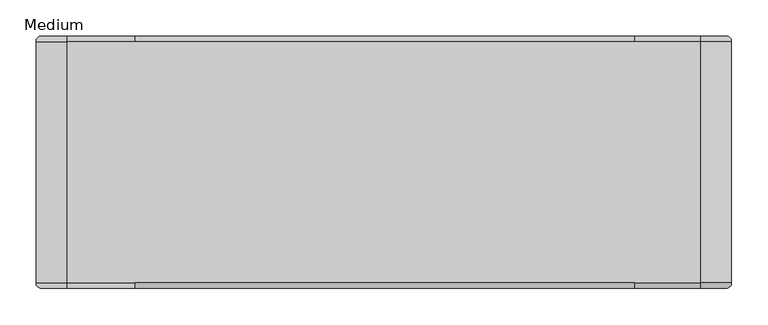
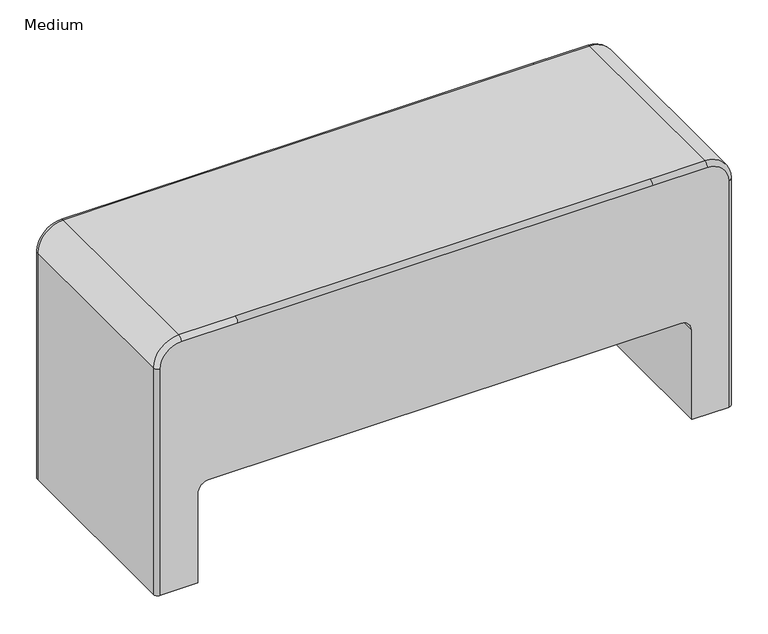
"""IFC4 building model written with IfcOpenShell, lengths in millimetres: furniture geometry, Medium."""

from ifc_helpers import new_model, si_unit, point, frame, frame_2d, origin, origin_with_axes, place, context, project, spatial, polyline, circle_curve, ellipse_curve, trimmed, segment, composite_curve, outline, extrude, source, transform, mapped, element, save
from ifc_brep_helpers import plane_surface, cylinder_surface, revolved_surface, advanced_brep


def medium_84b7d5f4(model_context):
    return source(origin(), model_context, "Body", "SolidModel", [
        extrude(outline(composite_curve([segment(trimmed(circle_curve(frame_2d((-619.0274767, 196.051701)), 5.08), [point((-619.0274767, 201.131701))], [point((-613.9474767, 196.051701))], False, "CARTESIAN"), True, "CONTINUOUS"), segment(polyline([(-613.9474767, 196.051701), (-613.9474767, 155.411701)]), True, "CONTINUOUS"), segment(trimmed(circle_curve(frame_2d((-619.0274767, 155.411701)), 5.08), [point((-613.9474767, 155.411701))], [point((-619.0274767, 150.331701))], False, "CARTESIAN"), True, "CONTINUOUS"), segment(polyline([(-619.0274767, 150.331701), (-634.2621476, 150.331701)]), True, "CONTINUOUS"), segment(trimmed(circle_curve(frame_2d((-634.2621476, 155.411701)), 5.08), [point((-634.2621476, 150.331701))], [point((-639.3421476, 155.411701))], False, "CARTESIAN"), True, "CONTINUOUS"), segment(polyline([(-639.3421476, 155.411701), (-639.3421476, 196.051701)]), True, "CONTINUOUS"), segment(trimmed(circle_curve(frame_2d((-634.2621476, 196.051701)), 5.08), [point((-639.3421476, 196.051701))], [point((-634.2621476, 201.131701))], False, "CARTESIAN"), True, "CONTINUOUS"), segment(polyline([(-634.2621476, 201.131701), (-619.0274767, 201.131701)]), True, "CONTINUOUS")], self_intersect=False)), origin_with_axes(), (0.0, 0.0, 1.0), 3.4040124),
        extrude(outline(composite_curve([segment(trimmed(circle_curve(frame_2d((-619.0274767, -81.4021908)), 5.08), [point((-619.0274767, -76.3221908))], [point((-613.9474767, -81.4021908))], False, "CARTESIAN"), True, "CONTINUOUS"), segment(polyline([(-613.9474767, -81.4021908), (-613.9474767, -122.0421908)]), True, "CONTINUOUS"), segment(trimmed(circle_curve(frame_2d((-619.0274767, -122.0421908)), 5.08), [point((-613.9474767, -122.0421908))], [point((-619.0274767, -127.1221908))], False, "CARTESIAN"), True, "CONTINUOUS"), segment(polyline([(-619.0274767, -127.1221908), (-634.2621476, -127.1221908)]), True, "CONTINUOUS"), segment(trimmed(circle_curve(frame_2d((-634.2621476, -122.0421908)), 5.08), [point((-634.2621476, -127.1221908))], [point((-639.3421476, -122.0421908))], False, "CARTESIAN"), True, "CONTINUOUS"), segment(polyline([(-639.3421476, -122.0421908), (-639.3421476, -81.4021908)]), True, "CONTINUOUS"), segment(trimmed(circle_curve(frame_2d((-634.2621476, -81.4021908)), 5.08), [point((-639.3421476, -81.4021908))], [point((-634.2621476, -76.3221908))], False, "CARTESIAN"), True, "CONTINUOUS"), segment(polyline([(-634.2621476, -76.3221908), (-619.0274767, -76.3221908)]), True, "CONTINUOUS")], self_intersect=False)), origin_with_axes(), (0.0, 0.0, 1.0), 3.4040124),
        extrude(outline(composite_curve([segment(trimmed(circle_curve(frame_2d((272.7236579, 196.051701)), 5.08), [point((272.7236579, 201.131701))], [point((277.8036579, 196.051701))], False, "CARTESIAN"), True, "CONTINUOUS"), segment(polyline([(277.8036579, 196.051701), (277.8036579, 155.411701)]), True, "CONTINUOUS"), segment(trimmed(circle_curve(frame_2d((272.7236579, 155.411701)), 5.08), [point((277.8036579, 155.411701))], [point((272.7236579, 150.331701))], False, "CARTESIAN"), True, "CONTINUOUS"), segment(polyline([(272.7236579, 150.331701), (257.4889871, 150.331701)]), True, "CONTINUOUS"), segment(trimmed(circle_curve(frame_2d((257.4889871, 155.411701)), 5.08), [point((257.4889871, 150.331701))], [point((252.4089871, 155.411701))], False, "CARTESIAN"), True, "CONTINUOUS"), segment(polyline([(252.4089871, 155.411701), (252.4089871, 196.051701)]), True, "CONTINUOUS"), segment(trimmed(circle_curve(frame_2d((257.4889871, 196.051701)), 5.08), [point((252.4089871, 196.051701))], [point((257.4889871, 201.131701))], False, "CARTESIAN"), True, "CONTINUOUS"), segment(polyline([(257.4889871, 201.131701), (272.7236579, 201.131701)]), True, "CONTINUOUS")], self_intersect=False)), origin_with_axes(), (0.0, 0.0, 1.0), 3.4040124),
        extrude(outline(composite_curve([segment(trimmed(circle_curve(frame_2d((272.7236579, -81.4021908)), 5.08), [point((272.7236579, -76.3221908))], [point((277.8036579, -81.4021908))], False, "CARTESIAN"), True, "CONTINUOUS"), segment(polyline([(277.8036579, -81.4021908), (277.8036579, -122.0421908)]), True, "CONTINUOUS"), segment(trimmed(circle_curve(frame_2d((272.7236579, -122.0421908)), 5.08), [point((277.8036579, -122.0421908))], [point((272.7236579, -127.1221908))], False, "CARTESIAN"), True, "CONTINUOUS"), segment(polyline([(272.7236579, -127.1221908), (257.4889871, -127.1221908)]), True, "CONTINUOUS"), segment(trimmed(circle_curve(frame_2d((257.4889871, -122.0421908)), 5.08), [point((257.4889871, -127.1221908))], [point((252.4089871, -122.0421908))], False, "CARTESIAN"), True, "CONTINUOUS"), segment(polyline([(252.4089871, -122.0421908), (252.4089871, -81.4021908)]), True, "CONTINUOUS"), segment(trimmed(circle_curve(frame_2d((257.4889871, -81.4021908)), 5.08), [point((252.4089871, -81.4021908))], [point((257.4889871, -76.3221908))], False, "CARTESIAN"), True, "CONTINUOUS"), segment(polyline([(257.4889871, -76.3221908), (272.7236579, -76.3221908)]), True, "CONTINUOUS")], self_intersect=False)), origin_with_axes(), (0.0, 0.0, 1.0), 3.4040124),
        advanced_brep(
        [(-574.5619104, 211.4525251, 180.1955599), (-593.6119104, 211.4525251, 161.1455599), (-593.6119104, 211.4525251, 3.4040124), (-655.9944896, 211.4525251, 3.4040124), (-655.9944896, 211.4525251, 404.0231514), (-620.4343177, 211.4525251, 439.5833234), (-526.2304682, 211.4525251, 439.5833234), (166.7696242, 211.4525251, 439.5833234), (258.102078, 211.4525251, 439.5833234), (293.66225, 211.4525251, 404.0231514), (293.66225, 211.4525251, 3.4040124), (232.0734208, 211.4525251, 3.4040124), (232.0734208, 211.4525251, 161.1455599), (213.0234208, 211.4525251, 180.1955599), (213.0234208, -138.4442299, 180.1955599), (232.0734208, -138.4442299, 161.1455599), (232.0734208, -138.4442299, 3.4040124), (293.66225, -138.4442299, 3.4040124), (293.66225, -138.4442299, 404.0231514), (258.102078, -138.4442299, 439.5833234), (166.7696242, -138.4442299, 439.5833234), (-526.2304682, -138.4442299, 439.5833234), (-620.4343177, -138.4442299, 439.5833234), (-655.9944896, -138.4442299, 404.0231514), (-655.9944896, -138.4442299, 3.4040124), (-593.6119104, -138.4442299, 3.4040124), (-593.6119104, -138.4442299, 161.1455599), (-574.5619104, -138.4442299, 180.1955599), (166.7696242, -130.8242299, 447.2033234), (-526.2304682, -130.8242299, 447.2033234), (258.102078, -130.8242299, 447.2033234), (258.102078, 203.8325251, 447.2033234), (166.7696242, 203.8325251, 447.2033234), (-526.2304682, 203.8325251, 447.2033234), (-620.4343177, 203.8325251, 447.2033234), (-620.4343177, -130.8242299, 447.2033234), (301.28225, -130.8242299, 404.0231514), (301.28225, 203.8325251, 404.0231514), (301.28225, 203.8325251, 3.4040124), (301.28225, -130.8242299, 3.4040124), (-663.6144896, 203.8325251, 404.0231514), (-663.6144896, -130.8242299, 404.0231514), (-663.6144896, -130.8242299, 3.4040124), (-663.6144896, 203.8325251, 3.4040124)],
        [
            (0, 1, circle_curve(frame((-574.5619104, 211.4525251, 161.1455599), z_axis=(0.0, -1.0, 0.0), x_axis=(1.0, 0.0, 0.0)), 19.05)),
            (1, 2),
            (2, 3),
            (3, 4),
            (4, 5, circle_curve(frame((-620.4343177, 211.4525251, 404.0231514), z_axis=(0.0, 1.0, 0.0), x_axis=(0.0, 0.0, 1.0)), 35.560172)),
            (5, 6),
            (6, 7),
            (7, 8),
            (8, 9, circle_curve(frame((258.102078, 211.4525251, 404.0231514), z_axis=(0.0, 1.0, 0.0), x_axis=(0.0, 0.0, 1.0)), 35.560172)),
            (9, 10),
            (10, 11),
            (11, 12),
            (12, 13, circle_curve(frame((213.0234208, 211.4525251, 161.1455599), z_axis=(0.0, -1.0, 0.0), x_axis=(1.0, 0.0, 0.0)), 19.05)),
            (13, 0),
            (14, 15, circle_curve(frame((213.0234208, -138.4442299, 161.1455599), z_axis=(0.0, 1.0, 0.0), x_axis=(1.0, 0.0, 0.0)), 19.05)),
            (15, 16),
            (16, 17),
            (17, 18),
            (18, 19, circle_curve(frame((258.102078, -138.4442299, 404.0231514), z_axis=(0.0, -1.0, 0.0), x_axis=(0.0, 0.0, 1.0)), 35.560172)),
            (19, 20),
            (20, 21),
            (21, 22),
            (22, 23, circle_curve(frame((-620.4343177, -138.4442299, 404.0231514), z_axis=(0.0, -1.0, 0.0), x_axis=(0.0, 0.0, 1.0)), 35.560172)),
            (23, 24),
            (24, 25),
            (25, 26),
            (26, 27, circle_curve(frame((-574.5619104, -138.4442299, 161.1455599), z_axis=(0.0, 1.0, 0.0), x_axis=(1.0, 0.0, 0.0)), 19.05)),
            (27, 14),
            (13, 14),
            (27, 0),
            (20, 28, circle_curve(frame((166.7696242, -130.8242299, 439.5833234), z_axis=(-1.0, 0.0, 0.0), x_axis=(0.0, 0.0, 1.0)), 7.62)),
            (28, 29),
            (29, 21, circle_curve(frame((-526.2304682, -130.8242299, 439.5833234), z_axis=(1.0, 0.0, 0.0), x_axis=(0.0, 0.0, 1.0)), 7.62)),
            (28, 30),
            (30, 31),
            (31, 32),
            (32, 33),
            (33, 34),
            (34, 35),
            (35, 29),
            (32, 7, circle_curve(frame((166.7696242, 203.8325251, 439.5833234), z_axis=(-1.0, 0.0, 0.0), x_axis=(0.0, 0.0, 1.0)), 7.62)),
            (6, 33, circle_curve(frame((-526.2304682, 203.8325251, 439.5833234), z_axis=(1.0, 0.0, 0.0), x_axis=(0.0, 0.0, 1.0)), 7.62)),
            (19, 30, circle_curve(frame((258.102078, -130.8242299, 439.5833234), z_axis=(-1.0, 0.0, 0.0), x_axis=(0.0, 0.0, -1.0)), 7.62)),
            (31, 8, circle_curve(frame((258.102078, 203.8325251, 439.5833234), z_axis=(-1.0, 0.0, 0.0), x_axis=(0.0, 0.0, -1.0)), 7.62)),
            (18, 36, circle_curve(frame((293.66225, -130.8242299, 404.0231514), z_axis=(0.0, 0.0, 1.0), x_axis=(-1.0, 0.0, 0.0)), 7.62)),
            (36, 30, circle_curve(frame((258.102078, -130.8242299, 404.0231514), z_axis=(0.0, -1.0, 0.0), x_axis=(0.0, 0.0, 1.0)), 43.180172)),
            (36, 37),
            (37, 31, circle_curve(frame((258.102078, 203.8325251, 404.0231514), z_axis=(0.0, -1.0, 0.0), x_axis=(0.0, 0.0, 1.0)), 43.180172)),
            (37, 9, circle_curve(frame((293.66225, 203.8325251, 404.0231514), z_axis=(0.0, 0.0, 1.0), x_axis=(-1.0, 0.0, 0.0)), 7.62)),
            (16, 11),
            (10, 38, circle_curve(frame((293.66225, 203.8325251, 3.4040124), z_axis=(0.0, 0.0, -1.0), x_axis=(-1.0, 0.0, 0.0)), 7.62)),
            (38, 39),
            (39, 17, circle_curve(frame((293.66225, -130.8242299, 3.4040124), z_axis=(0.0, 0.0, -1.0), x_axis=(-1.0, 0.0, 0.0)), 7.62)),
            (39, 36),
            (38, 37),
            (5, 34, circle_curve(frame((-620.4343177, 203.8325251, 439.5833234), z_axis=(1.0, 0.0, 0.0), x_axis=(0.0, 0.0, 1.0)), 7.62)),
            (35, 22, circle_curve(frame((-620.4343177, -130.8242299, 439.5833234), z_axis=(1.0, 0.0, 0.0), x_axis=(0.0, 0.0, 1.0)), 7.62)),
            (4, 40, circle_curve(frame((-655.9944896, 203.8325251, 404.0231514), z_axis=(0.0, 0.0, 1.0), x_axis=(-1.0, 0.0, 0.0)), 7.62)),
            (40, 34, circle_curve(frame((-620.4343177, 203.8325251, 404.0231514), z_axis=(0.0, 1.0, 0.0), x_axis=(0.0, 0.0, 1.0)), 43.180172)),
            (40, 41),
            (41, 35, circle_curve(frame((-620.4343177, -130.8242299, 404.0231514), z_axis=(0.0, 1.0, 0.0), x_axis=(0.0, 0.0, 1.0)), 43.180172)),
            (41, 23, circle_curve(frame((-655.9944896, -130.8242299, 404.0231514), z_axis=(0.0, 0.0, 1.0), x_axis=(-1.0, 0.0, 0.0)), 7.62)),
            (2, 25),
            (24, 42, circle_curve(frame((-655.9944896, -130.8242299, 3.4040124), z_axis=(0.0, 0.0, -1.0), x_axis=(-1.0, 0.0, 0.0)), 7.62)),
            (42, 43),
            (43, 3, circle_curve(frame((-655.9944896, 203.8325251, 3.4040124), z_axis=(0.0, 0.0, -1.0), x_axis=(-1.0, 0.0, 0.0)), 7.62)),
            (43, 40),
            (42, 41),
            (26, 1),
            (15, 12),
        ],
        [
            plane_surface(frame((166.7696242, 211.4525251, 437.6781514), z_axis=(0.0, 1.0, 0.0), x_axis=(0.0, 0.0, -1.0))),
            plane_surface(frame((166.7696242, -138.4442299, 437.6781514), z_axis=(0.0, -1.0, 0.0), x_axis=(0.0, 0.0, 1.0))),
            plane_surface(frame((166.7696242, 211.4525251, 180.1955599), z_axis=(0.0, 0.0, -1.0), x_axis=(0.0, -1.0, 0.0))),
            cylinder_surface(frame((166.7696242, -130.8242299, 439.5833234), z_axis=(-1.0, 0.0, 0.0), x_axis=(0.0, 0.0, 1.0)), 7.62),
            plane_surface(frame((-526.2304682, -130.8242299, 447.2033234), z_axis=(0.0, 0.0, 1.0), x_axis=(1.0, 0.0, 0.0))),
            cylinder_surface(frame((166.7696242, 203.8325251, 439.5833234), z_axis=(-1.0, 0.0, 0.0), x_axis=(0.0, 0.0, 1.0)), 7.62),
            cylinder_surface(frame((166.7696242, -130.8242299, 439.5833234), z_axis=(-1.0, 0.0, 0.0), x_axis=(0.0, 0.0, -1.0)), 7.62),
            cylinder_surface(frame((166.7696242, 203.8325251, 439.5833234), z_axis=(-1.0, 0.0, 0.0), x_axis=(0.0, 0.0, -1.0)), 7.62),
            revolved_surface(trimmed(ellipse_curve(frame((258.102078, -130.8242299, 439.5833234), z_axis=(-1.0, 0.0, 0.0), x_axis=(0.0, 0.0, -1.0)), 7.62, 7.62), [point((258.102078, -138.4442299, 439.5833234))], [point((258.102078, -130.8242299, 447.2033234))], True, "CARTESIAN"), (258.102078, 228.8781826, 404.0231514), (0.0, 1.0, 0.0)),
            cylinder_surface(frame((258.102078, 228.8781826, 404.0231514), z_axis=(0.0, 1.0, 0.0), x_axis=(0.0, 0.0, 1.0)), 43.180172),
            revolved_surface(trimmed(ellipse_curve(frame((258.102078, 203.8325251, 439.5833234), z_axis=(-1.0, 0.0, 0.0), x_axis=(0.0, 0.0, -1.0)), 7.62, 7.62), [point((258.102078, 203.8325251, 447.2033234))], [point((258.102078, 211.4525251, 439.5833234))], True, "CARTESIAN"), (258.102078, 228.8781826, 404.0231514), (0.0, 1.0, 0.0)),
            plane_surface(frame((288.582078, 228.8781826, 3.4040124), z_axis=(0.0, 0.0, -1.0), x_axis=(0.0, 1.0, 0.0))),
            cylinder_surface(frame((293.66225, -130.8242299, 404.0231514), z_axis=(0.0, 0.0, 1.0), x_axis=(-1.0, 0.0, 0.0)), 7.62),
            plane_surface(frame((301.28225, -130.8242299, 404.0231514), z_axis=(1.0, 0.0, 0.0), x_axis=(0.0, 0.0, -1.0))),
            cylinder_surface(frame((293.66225, 203.8325251, 404.0231514), z_axis=(0.0, 0.0, 1.0), x_axis=(-1.0, 0.0, 0.0)), 7.62),
            cylinder_surface(frame((-526.2304682, 203.8325251, 439.5833234), z_axis=(1.0, 0.0, 0.0), x_axis=(0.0, 0.0, 1.0)), 7.62),
            cylinder_surface(frame((-526.2304682, -130.8242299, 439.5833234), z_axis=(1.0, 0.0, 0.0), x_axis=(0.0, 0.0, 1.0)), 7.62),
            revolved_surface(trimmed(ellipse_curve(frame((-620.4343177, 203.8325251, 439.5833234), z_axis=(1.0, 0.0, 0.0), x_axis=(0.0, 0.0, 1.0)), 7.62, 7.62), [point((-620.4343177, 211.4525251, 439.5833234))], [point((-620.4343177, 203.8325251, 447.2033234))], True, "CARTESIAN"), (-620.4343177, 228.8781826, 404.0231514), (0.0, -1.0, 0.0)),
            cylinder_surface(frame((-620.4343177, 228.8781826, 404.0231514), z_axis=(0.0, -1.0, 0.0), x_axis=(0.0, 0.0, 1.0)), 43.180172),
            revolved_surface(trimmed(ellipse_curve(frame((-620.4343177, -130.8242299, 439.5833234), z_axis=(1.0, 0.0, 0.0), x_axis=(0.0, 0.0, 1.0)), 7.62, 7.62), [point((-620.4343177, -130.8242299, 447.2033234))], [point((-620.4343177, -138.4442299, 439.5833234))], True, "CARTESIAN"), (-620.4343177, 228.8781826, 404.0231514), (0.0, -1.0, 0.0)),
            plane_surface(frame((-650.9143177, 228.8781826, 3.4040124), z_axis=(0.0, 0.0, -1.0), x_axis=(0.0, 1.0, 0.0))),
            cylinder_surface(frame((-655.9944896, 203.8325251, 404.0231514), z_axis=(0.0, 0.0, 1.0), x_axis=(-1.0, 0.0, 0.0)), 7.62),
            plane_surface(frame((-663.6144896, 203.8325251, 404.0231514), z_axis=(-1.0, 0.0, 0.0), x_axis=(0.0, 0.0, -1.0))),
            cylinder_surface(frame((-655.9944896, -130.8242299, 404.0231514), z_axis=(0.0, 0.0, 1.0), x_axis=(-1.0, 0.0, 0.0)), 7.62),
            revolved_surface(polyline([(-555.5119104, -138.4442299, 161.1455599), (-555.5119104, 211.45252509999997, 161.1455599)]), (-574.5619104, -138.4442299, 161.1455599), (0.0, -1.0, 0.0)),
            plane_surface(frame((-593.6119104, 211.4525251, 161.1455599), z_axis=(1.0, 0.0, 0.0), x_axis=(0.0, -1.0, 0.0))),
            plane_surface(frame((232.0734208, 211.4525251, 3.4040124), z_axis=(-1.0, 0.0, 0.0), x_axis=(0.0, -1.0, 0.0))),
            revolved_surface(polyline([(232.0734208, -138.44422989999998, 161.1455599), (232.0734208, 211.4525251, 161.1455599)]), (213.0234208, 216.2403236, 161.1455599), (0.0, -1.0, 0.0)),
        ],
        [
            (0, [[1, 2, 3, 4, 5, 6, 7, 8, 9, 10, 11, 12, 13, 14]]),
            (1, [[15, 16, 17, 18, 19, 20, 21, 22, 23, 24, 25, 26, 27, 28]]),
            (2, [[-14, 29, -28, 30]]),
            (3, [[-21, 31, 32, 33]]),
            (4, [[-32, 34, 35, 36, 37, 38, 39, 40]]),
            (5, [[-37, 41, -7, 42]]),
            (6, [[-20, 43, -34, -31]]),
            (7, [[-36, 44, -8, -41]]),
            (8, [[-19, 45, 46, -43]]),
            (9, [[-35, -46, 47, 48]]),
            (10, [[-44, -48, 49, -9]]),
            (11, [[-17, 50, -11, 51, 52, 53]]),
            (12, [[-18, -53, 54, -45]]),
            (13, [[-47, -54, -52, 55]]),
            (14, [[-10, -49, -55, -51]]),
            (15, [[-6, 56, -38, -42]]),
            (16, [[-40, 57, -22, -33]]),
            (17, [[-5, 58, 59, -56]]),
            (18, [[-39, -59, 60, 61]]),
            (19, [[-57, -61, 62, -23]]),
            (20, [[-3, 63, -25, 64, 65, 66]]),
            (21, [[-4, -66, 67, -58]]),
            (22, [[-60, -67, -65, 68]]),
            (23, [[-24, -62, -68, -64]]),
            (24, [[-1, -30, -27, 69]]),
            (25, [[-2, -69, -26, -63]]),
            (26, [[-12, -50, -16, 70]]),
            (27, [[-13, -70, -15, -29]]),
        ],
    ),
    ])


if __name__ == "__main__":
    model = new_model("IFC4")
    model_context = context("Model", 3, world=origin())
    ifc_project = project(units=[si_unit("LENGTHUNIT", "METRE", prefix="MILLI")], contexts=[model_context])
    site = spatial("IfcSite", under=ifc_project)
    building = spatial("IfcBuilding", under=site)
    placement = place(None, origin())
    medium_shape = medium_84b7d5f4(model_context)
    element("IfcFurniture", 1, ObjectType="Medium", at=placement, inside=building, context=model_context, shape_type="MappedRepresentation", body=[
        mapped(medium_shape, transform((0.0, 0.0, 0.0), x_axis=(1.0, 0.0, 0.0), y_axis=(0.0, 1.0, 0.0), z_axis=(0.0, 0.0, 1.0))),
    ])
    save(model, "model.ifc")
